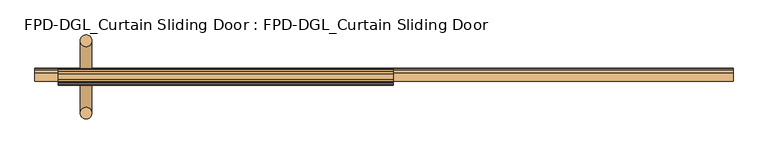
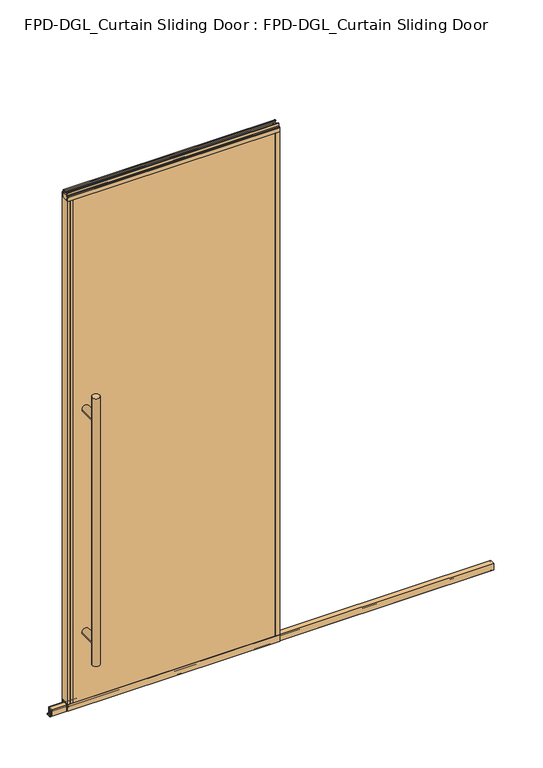
"""IFC4 building model written with IfcOpenShell, lengths in millimetres: door geometry, FPD-DGL_Curtain Sliding Door : FPD-DGL_Curtain Sliding Door."""

from ifc_helpers import new_model, si_unit, point, frame, frame_2d, origin, place, context, project, spatial, polyline, circle_curve, ellipse_curve, trimmed, segment, composite_curve, outline, extrude, source, transform, mapped, element, save
from ifc_brep_helpers import plane_surface, cylinder_surface, advanced_brep


def fpd_dgl_curtain_sliding_door_fpd_dgl_curtain_sliding_door_1ea2293b(model_context):
    return source(origin(), model_context, "Body", "SolidModel", [
        advanced_brep(
        [(-364.33125, 35.128049, 1473.2), (-396.08125, 35.128049, 1473.2), (-364.33125, -162.0969566, 1473.2), (-396.08125, -162.0969566, 1473.2), (-364.33125, 35.128049, 254.0), (-396.08125, 35.128049, 254.0), (-364.33125, -162.0969566, 254.0), (-396.08125, -162.0969566, 254.0), (-364.33125, 35.128049, 355.6), (-396.08125, 35.128049, 355.6), (-364.33125, 35.128049, 1371.6), (-396.08125, 35.128049, 1371.6), (-396.08125, -162.0969566, 1371.6), (-396.08125, -162.0969566, 355.6), (-364.33125, -162.0969566, 355.6), (-364.33125, -162.0969566, 1371.6)],
        [
            (0, 1, circle_curve(frame((-380.20625, 35.128049, 1473.2), z_axis=(0.0, 0.0, 1.0), x_axis=(-1.0, 0.0, 0.0)), 15.875)),
            (1, 0, circle_curve(frame((-380.20625, 35.128049, 1473.2), z_axis=(0.0, 0.0, 1.0), x_axis=(-1.0, 0.0, 0.0)), 15.875)),
            (2, 3, circle_curve(frame((-380.20625, -162.0969566, 1473.2), z_axis=(0.0, 0.0, 1.0), x_axis=(-1.0, 0.0, 0.0)), 15.875)),
            (3, 2, circle_curve(frame((-380.20625, -162.0969566, 1473.2), z_axis=(0.0, 0.0, 1.0), x_axis=(-1.0, 0.0, 0.0)), 15.875)),
            (4, 5, circle_curve(frame((-380.20625, 35.128049, 254.0), z_axis=(0.0, 0.0, -1.0), x_axis=(-1.0, 0.0, 0.0)), 15.875)),
            (5, 4, circle_curve(frame((-380.20625, 35.128049, 254.0), z_axis=(0.0, 0.0, -1.0), x_axis=(-1.0, 0.0, 0.0)), 15.875)),
            (6, 7, circle_curve(frame((-380.20625, -162.0969566, 254.0), z_axis=(0.0, 0.0, -1.0), x_axis=(-1.0, 0.0, 0.0)), 15.875)),
            (7, 6, circle_curve(frame((-380.20625, -162.0969566, 254.0), z_axis=(0.0, 0.0, -1.0), x_axis=(-1.0, 0.0, 0.0)), 15.875)),
            (4, 8),
            (8, 9, ellipse_curve(frame((-380.20625, 35.128049, 355.6), z_axis=(0.0, 0.7071067811865525, -0.7071067811865427), x_axis=(0.0, 0.7071067811865427, 0.7071067811865523)), 22.4506403, 15.875)),
            (9, 5),
            (10, 11, ellipse_curve(frame((-380.20625, 35.128049, 1371.6), z_axis=(0.0, 0.7071067811865427, -0.7071067811865525), x_axis=(0.0, 0.7071067811865525, 0.7071067811865425)), 22.4506403, 15.875)),
            (11, 9),
            (9, 8, ellipse_curve(frame((-380.20625, 35.128049, 355.6), z_axis=(0.0, 0.7071067811865427, 0.7071067811865525), x_axis=(0.0, -0.7071067811865525, 0.7071067811865425)), 22.4506403, 15.875)),
            (8, 10),
            (1, 11),
            (11, 10, ellipse_curve(frame((-380.20625, 35.128049, 1371.6), z_axis=(0.0, 0.7071067811865525, 0.7071067811865427), x_axis=(0.0, -0.7071067811865427, 0.7071067811865523)), 22.4506403, 15.875)),
            (10, 0),
            (3, 12),
            (12, 13),
            (13, 7),
            (6, 14),
            (14, 15),
            (15, 2),
            (15, 12, ellipse_curve(frame((-380.20625, -162.0969566, 1371.6), z_axis=(0.0, -0.7071067811865427, 0.7071067811865525), x_axis=(0.0, 0.7071067811865525, 0.7071067811865425)), 22.4506403, 15.875)),
            (13, 14, ellipse_curve(frame((-380.20625, -162.0969566, 355.6), z_axis=(0.0, -0.7071067811865427, -0.7071067811865525), x_axis=(0.0, -0.7071067811865525, 0.7071067811865425)), 22.4506403, 15.875)),
            (14, 13, ellipse_curve(frame((-380.20625, -162.0969566, 355.6), z_axis=(0.0, -0.7071067811865525, 0.7071067811865427), x_axis=(0.0, 0.7071067811865427, 0.7071067811865523)), 22.4506403, 15.875)),
            (12, 15, ellipse_curve(frame((-380.20625, -162.0969566, 1371.6), z_axis=(0.0, -0.7071067811865525, -0.7071067811865427), x_axis=(0.0, -0.7071067811865427, 0.7071067811865523)), 22.4506403, 15.875)),
            (10, 15),
            (12, 11),
            (8, 14),
            (13, 9),
        ],
        [
            plane_surface(frame((-281.0988493, -63.5, 1473.2), z_axis=(0.0, 0.0, 1.0), x_axis=(0.0, 1.0, 0.0))),
            plane_surface(frame((-281.0988493, -63.5, 254.0), z_axis=(0.0, 0.0, -1.0), x_axis=(0.0, 1.0, 0.0))),
            cylinder_surface(frame((-380.20625, 35.128049, 1473.2), z_axis=(0.0, 0.0, 1.0), x_axis=(-1.0, 0.0, 0.0)), 15.875),
            cylinder_surface(frame((-380.20625, -162.0969566, 1473.2), z_axis=(0.0, 0.0, 1.0), x_axis=(-1.0, 0.0, 0.0)), 15.875),
            cylinder_surface(frame((-380.20625, -162.0969566, 1371.6), z_axis=(0.0, 1.0, 0.0), x_axis=(1.0, 0.0, 0.0)), 15.875),
            cylinder_surface(frame((-380.20625, -63.5, 355.6), z_axis=(0.0, 1.0, 0.0), x_axis=(1.0, 0.0, 0.0)), 15.875),
        ],
        [
            (0, [[1, 2]]),
            (0, [[3, 4]]),
            (1, [[5, 6]]),
            (1, [[7, 8]]),
            (2, [[9, 10, 11, -5]]),
            (2, [[12, 13, 14, 15]]),
            (2, [[16, 17, 18, -2]]),
            (2, [[-18, -15, -9, -6, -11, -13, -16, -1]]),
            (3, [[19, 20, 21, -7, 22, 23, 24, -4]]),
            (3, [[-24, 25, -19, -3]]),
            (3, [[-21, 26, -22, -8]]),
            (3, [[27, -20, 28, -23]]),
            (4, [[-12, 29, -28, 30]]),
            (4, [[-25, -29, -17, -30]]),
            (5, [[-10, 31, -26, 32]]),
            (5, [[-27, -31, -14, -32]]),
        ],
    ),
        extrude(outline(composite_curve([segment(polyline([(-59.6869794, 1.1714386), (-59.6869794, 4.0416386)]), True, "CONTINUOUS"), segment(trimmed(circle_curve(frame_2d((-58.5185794, 4.0416386)), 1.1684), [point((-59.6869794, 4.0416386))], [point((-58.9336188, 5.1338386))], False, "CARTESIAN"), True, "CONTINUOUS"), segment(polyline([(-58.9336188, 5.1338386), (-56.2262294, 5.1338386), (-56.2262294, 4.3138948), (-58.9122794, 4.3138948), (-58.9122794, 0.7650387), (-40.4337797, 0.7650387), (-40.4337797, 4.4232339), (-43.4288569, 4.4232339), (-43.4288569, 5.2100386), (-40.8401797, 5.2100386)]), True, "CONTINUOUS"), segment(trimmed(circle_curve(frame_2d((-40.8401797, 4.0416386)), 1.1684), [point((-40.8401797, 5.2100386))], [point((-39.6717797, 4.0416386))], False, "CARTESIAN"), True, "CONTINUOUS"), segment(polyline([(-39.6717797, 4.0416386), (-39.6717797, 1.1714386)]), True, "CONTINUOUS"), segment(trimmed(circle_curve(frame_2d((-40.8401797, 1.1714386)), 1.1684), [point((-39.6717797, 1.1714386))], [point((-40.8401797, 0.0030387))], False, "CARTESIAN"), True, "CONTINUOUS"), segment(polyline([(-40.8401797, 0.0030387), (-58.5185794, 0.0030387)]), True, "CONTINUOUS"), segment(trimmed(circle_curve(frame_2d((-58.5185794, 1.1714386)), 1.1684), [point((-58.5185794, 0.0030387))], [point((-59.6869794, 1.1714386))], False, "CARTESIAN"), True, "CONTINUOUS")], self_intersect=False)), frame((-519.90625, 0.0, 0.0), z_axis=(1.0, 0.0, 0.0), x_axis=(0.0, 1.0, 0.0)), (0.0, 0.0, 1.0), 1903.4125),
        extrude(outline(composite_curve([segment(polyline([(-74.4646139, 41.6030387), (-52.5646141, 41.6030387), (-52.5646141, 11.6839647), (-54.064702, 11.6839647), (-54.064702, 39.1709995)]), True, "CONTINUOUS"), segment(trimmed(circle_curve(frame_2d((-54.9969627, 39.1709995)), 0.9322606), [point((-54.064702, 39.1709995))], [point((-54.9969627, 40.1032601))], True, "CARTESIAN"), True, "CONTINUOUS"), segment(polyline([(-54.9969627, 40.1032601), (-60.0857402, 40.1032601)]), True, "CONTINUOUS"), segment(trimmed(circle_curve(frame_2d((-60.0857402, 39.1243868)), 0.9788733), [point((-60.0857402, 40.1032601))], [point((-61.0646135, 39.1243868))], True, "CARTESIAN"), True, "CONTINUOUS"), segment(polyline([(-61.0646135, 39.1243868), (-61.0646135, 11.6839647), (-62.6646138, 11.6839647), (-62.6646138, 33.5017657), (-64.0544462, 33.5017657), (-64.0544462, 34.3040626), (-62.6646138, 34.3040626), (-62.6646138, 35.6040627), (-73.4646139, 35.6040627), (-73.4646139, 34.3040626), (-72.0747815, 34.3040626), (-72.0747815, 33.5017657), (-73.4646139, 33.5017657), (-73.4646139, 11.6839647), (-74.4646139, 11.6839647), (-74.4646139, 41.6030387)]), True, "CONTINUOUS")], self_intersect=False)), frame((-519.90625, 0.0, 0.0), z_axis=(1.0, 0.0, 0.0), x_axis=(0.0, 1.0, 0.0)), (0.0, 0.0, 1.0), 1903.4125),
        extrude(outline(composite_curve([segment(polyline([(-49.1758097, 48.6471016), (-49.1758097, 47.6299627), (-50.5428229, 47.6299627), (-50.5428229, 41.3613764)]), True, "CONTINUOUS"), segment(trimmed(circle_curve(frame_2d((-48.227348, 41.3613764)), 2.3154748), [point((-50.5428229, 41.3613764))], [point((-48.227348, 39.0459016))], True, "CARTESIAN"), True, "CONTINUOUS"), segment(polyline([(-48.227348, 39.0459016), (-43.2396246, 39.0522555)]), True, "CONTINUOUS"), segment(trimmed(circle_curve(frame_2d((-43.337823, 39.8079016)), 0.762), [point((-43.2396246, 39.0522555))], [point((-42.575823, 39.8079016))], True, "CARTESIAN"), True, "CONTINUOUS"), segment(polyline([(-42.575823, 39.8079016), (-42.575823, 48.6471016), (-41.2758255, 48.6471016), (-41.2758255, 19.0059017), (-50.3972378, 19.0059017), (-50.3972378, 15.875), (-52.3015279, 15.875), (-52.3015279, 47.0470737), (-74.6984721, 47.0470737), (-74.6984721, 15.875), (-76.6027622, 15.875), (-76.6027622, 19.0059017), (-85.7241745, 19.0059017), (-85.7241745, 48.6471016), (-84.424177, 48.6471016), (-84.424177, 39.8079016)]), True, "CONTINUOUS"), segment(trimmed(circle_curve(frame_2d((-83.662177, 39.8079016)), 0.762), [point((-84.424177, 39.8079016))], [point((-83.7603754, 39.0522555))], True, "CARTESIAN"), True, "CONTINUOUS"), segment(polyline([(-83.7603754, 39.0522555), (-78.772652, 39.0459016)]), True, "CONTINUOUS"), segment(trimmed(circle_curve(frame_2d((-78.772652, 41.3613764)), 2.3154748), [point((-78.772652, 39.0459016))], [point((-76.4571771, 41.3613764))], True, "CARTESIAN"), True, "CONTINUOUS"), segment(polyline([(-76.4571771, 41.3613764), (-76.4571771, 47.6299627), (-77.8241903, 47.6299627), (-77.8241903, 48.6471016), (-49.1758097, 48.6471016)]), True, "CONTINUOUS")], self_intersect=False)), frame((-456.40625, 0.0, 0.0), z_axis=(1.0, 0.0, 0.0), x_axis=(0.0, 1.0, 0.0)), (0.0, 0.0, 1.0), 912.8125),
        extrude(outline(composite_curve([segment(polyline([(-55.1000175, 2373.482105), (-50.0953412, 2373.482105)]), True, "CONTINUOUS"), segment(trimmed(circle_curve(frame_2d((-50.0953412, 2372.8867925)), 0.5953125), [point((-50.0953412, 2373.482105))], [point((-49.5000287, 2372.8867925))], False, "CARTESIAN"), True, "CONTINUOUS"), segment(polyline([(-49.5000287, 2372.8867925), (-49.5000287, 2361.518791)]), True, "CONTINUOUS"), segment(trimmed(circle_curve(frame_2d((-47.5809248, 2361.518791)), 1.919104), [point((-49.5000287, 2361.518791))], [point((-47.5809248, 2359.599687))], True, "CARTESIAN"), True, "CONTINUOUS"), segment(polyline([(-47.5809248, 2359.599687), (-42.0750432, 2359.599687)]), True, "CONTINUOUS"), segment(trimmed(circle_curve(frame_2d((-42.0750432, 2358.7996885)), 0.7999985), [point((-42.0750432, 2359.599687))], [point((-41.2750446, 2358.7996885))], False, "CARTESIAN"), True, "CONTINUOUS"), segment(polyline([(-41.2750446, 2358.7996885), (-41.2750446, 2339.914687), (-42.5750423, 2339.914687), (-42.5750423, 2350.014667)]), True, "CONTINUOUS"), segment(trimmed(circle_curve(frame_2d((-43.0750413, 2350.014667)), 0.499999), [point((-42.5750423, 2350.014667))], [point((-43.0750413, 2350.514666))], True, "CARTESIAN"), True, "CONTINUOUS"), segment(polyline([(-43.0750413, 2350.514666), (-49.1750289, 2350.514666), (-49.1750289, 2339.914687), (-77.8249714, 2339.914687), (-77.8249714, 2350.514666), (-83.9249587, 2350.514666)]), True, "CONTINUOUS"), segment(trimmed(circle_curve(frame_2d((-83.9249587, 2350.014667)), 0.499999), [point((-83.9249587, 2350.514666))], [point((-84.4249577, 2350.014667))], True, "CARTESIAN"), True, "CONTINUOUS"), segment(polyline([(-84.4249577, 2350.014667), (-84.4249577, 2339.914687), (-85.7249551, 2339.914687), (-85.7249551, 2358.7996885)]), True, "CONTINUOUS"), segment(trimmed(circle_curve(frame_2d((-84.9249567, 2358.7996885)), 0.7999984), [point((-85.7249551, 2358.7996885))], [point((-84.9249567, 2359.5996869))], False, "CARTESIAN"), True, "CONTINUOUS"), segment(polyline([(-84.9249567, 2359.5996869), (-79.4190752, 2359.5996869)]), True, "CONTINUOUS"), segment(trimmed(circle_curve(frame_2d((-79.4190752, 2361.5187908)), 1.919104), [point((-79.4190752, 2359.5996869))], [point((-77.4999713, 2361.5187908))], True, "CARTESIAN"), True, "CONTINUOUS"), segment(polyline([(-77.4999713, 2361.5187908), (-77.4999713, 2372.8867925)]), True, "CONTINUOUS"), segment(trimmed(circle_curve(frame_2d((-76.9046588, 2372.8867925)), 0.5953125), [point((-77.4999713, 2372.8867925))], [point((-76.9046588, 2373.482105))], False, "CARTESIAN"), True, "CONTINUOUS"), segment(polyline([(-76.9046588, 2373.482105), (-71.8999825, 2373.482105), (-71.8999825, 2371.482109), (-75.4999752, 2371.482109), (-75.4999752, 2362.982126)]), True, "CONTINUOUS"), segment(trimmed(circle_curve(frame_2d((-74.9999762, 2362.982126)), 0.499999), [point((-75.4999752, 2362.982126))], [point((-74.9999762, 2362.482127))], True, "CARTESIAN"), True, "CONTINUOUS"), segment(polyline([(-74.9999762, 2362.482127), (-52.0000238, 2362.482127)]), True, "CONTINUOUS"), segment(trimmed(circle_curve(frame_2d((-52.0000238, 2362.982126)), 0.499999), [point((-52.0000238, 2362.482127))], [point((-51.5000248, 2362.982126))], True, "CARTESIAN"), True, "CONTINUOUS"), segment(polyline([(-51.5000248, 2362.982126), (-51.5000248, 2371.482109), (-55.1000175, 2371.482109), (-55.1000175, 2373.482105)]), True, "CONTINUOUS")], self_intersect=False)), frame((-456.40625, 0.0, 0.0), z_axis=(1.0, 0.0, 0.0), x_axis=(0.0, 1.0, 0.0)), (0.0, 0.0, 1.0), 912.8125),
        extrude(outline(polyline([(446.4694011, -84.4265993), (-446.4694011, -84.4265993), (-446.4694011, -77.825), (446.4694011, -77.825), (446.4694011, -84.4265993)])), frame((0.0, 0.0, 39.1580021), z_axis=(0.0, 0.0, 1.0), x_axis=(1.0, 0.0, 0.0)), (0.0, 0.0, 1.0), 2311.0901216),
        extrude(outline(polyline([(-446.4694011, -49.175), (-446.4694011, -42.5734007), (446.4694011, -42.5734007), (446.4694011, -49.175), (-446.4694011, -49.175)])), frame((0.0, 0.0, 39.1580021), z_axis=(0.0, 0.0, 1.0), x_axis=(1.0, 0.0, 0.0)), (0.0, 0.0, 1.0), 2311.0901216),
        extrude(outline(composite_curve([segment(polyline([(-456.40625, -85.725), (-456.40625, -41.275), (-435.8694011, -41.275), (-435.8694011, -42.5734), (-445.9402074, -42.5734)]), True, "CONTINUOUS"), segment(trimmed(circle_curve(frame_2d((-445.9402074, -43.1025937)), 0.5291937), [point((-445.9402074, -42.5734))], [point((-446.4694011, -43.1025937))], True, "CARTESIAN"), True, "CONTINUOUS"), segment(polyline([(-446.4694011, -43.1025937), (-446.4694011, -45.0596), (-447.6694009, -45.0596), (-447.6694009, -42.5798), (-454.6028499, -42.5798), (-454.6028499, -54.254802), (-447.6694009, -54.254802), (-447.6694009, -49.175), (-435.8694011, -49.175), (-435.8694011, -77.825), (-447.6694009, -77.825), (-447.6694009, -72.745198), (-454.6028499, -72.745198), (-454.6028499, -84.4202), (-447.6694009, -84.4202), (-447.6694009, -81.9404), (-446.4694011, -81.9404), (-446.4694011, -83.9185993)]), True, "CONTINUOUS"), segment(trimmed(circle_curve(frame_2d((-445.9614011, -83.9185993)), 0.508), [point((-446.4694011, -83.9185993))], [point((-445.9614011, -84.4265993))], True, "CARTESIAN"), True, "CONTINUOUS"), segment(polyline([(-445.9614011, -84.4265993), (-435.8694011, -84.4265993), (-435.8694011, -85.725), (-456.40625, -85.725)]), True, "CONTINUOUS")], self_intersect=False)), frame((0.0, 0.0, 48.6471016), z_axis=(0.0, 0.0, 1.0), x_axis=(1.0, 0.0, 0.0)), (0.0, 0.0, 1.0), 2291.2675854),
        extrude(outline(composite_curve([segment(polyline([(456.40625, -85.725), (435.8694011, -85.725), (435.8694011, -84.4265993), (445.9614011, -84.4265993)]), True, "CONTINUOUS"), segment(trimmed(circle_curve(frame_2d((445.9614011, -83.9185993)), 0.508), [point((445.9614011, -84.4265993))], [point((446.4694011, -83.9185993))], True, "CARTESIAN"), True, "CONTINUOUS"), segment(polyline([(446.4694011, -83.9185993), (446.4694011, -81.9404), (447.6694009, -81.9404), (447.6694009, -84.4202), (454.6028499, -84.4202), (454.6028499, -72.745198), (447.6694009, -72.745198), (447.6694009, -77.825), (435.8694011, -77.825), (435.8694011, -49.175), (447.6694009, -49.175), (447.6694009, -54.254802), (454.6028499, -54.254802), (454.6028499, -42.5798), (447.6694009, -42.5798), (447.6694009, -45.0596), (446.4694011, -45.0596), (446.4694011, -43.1025937)]), True, "CONTINUOUS"), segment(trimmed(circle_curve(frame_2d((445.9402074, -43.1025937)), 0.5291937), [point((446.4694011, -43.1025937))], [point((445.9402074, -42.5734))], True, "CARTESIAN"), True, "CONTINUOUS"), segment(polyline([(445.9402074, -42.5734), (435.869401, -42.5734), (435.869401, -41.275), (456.40625, -41.275), (456.40625, -85.725)]), True, "CONTINUOUS")], self_intersect=False)), frame((0.0, 0.0, 48.6471016), z_axis=(0.0, 0.0, 1.0), x_axis=(1.0, 0.0, 0.0)), (0.0, 0.0, 1.0), 2291.2675854),
    ])


if __name__ == "__main__":
    model = new_model("IFC4")
    model_context = context("Model", 3, world=origin())
    ifc_project = project(units=[si_unit("LENGTHUNIT", "METRE", prefix="MILLI")], contexts=[model_context])
    site = spatial("IfcSite", under=ifc_project)
    building = spatial("IfcBuilding", under=site)
    placement = place(None, origin())
    fpd_dgl_curtain_sliding_door_fpd_dgl_curtain_sliding_door_shape = fpd_dgl_curtain_sliding_door_fpd_dgl_curtain_sliding_door_1ea2293b(model_context)
    element("IfcDoor", 1, ObjectType="FPD-DGL_Curtain Sliding Door : FPD-DGL_Curtain Sliding Door", at=placement, inside=building, context=model_context, shape_type="MappedRepresentation", body=[
        mapped(fpd_dgl_curtain_sliding_door_fpd_dgl_curtain_sliding_door_shape, transform((0.0, 0.0, 0.0), x_axis=(1.0, 0.0, 0.0), y_axis=(0.0, 1.0, 0.0), z_axis=(0.0, 0.0, 1.0))),
    ])
    save(model, "model.ifc")
